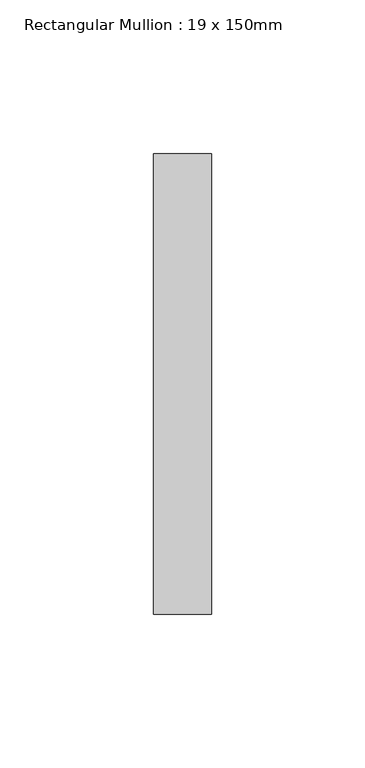
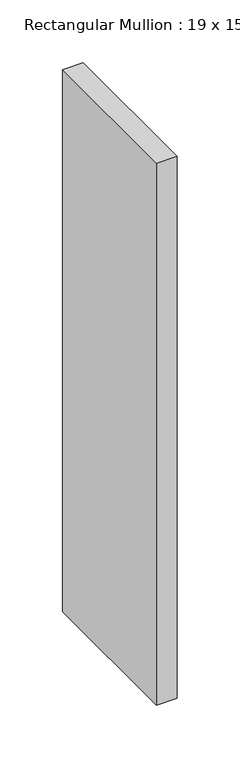
"""IFC4 building model written with IfcOpenShell, lengths in millimetres: member geometry, Rectangular Mullion : 19 x 150mm."""

from ifc_helpers import new_model, si_unit, frame, origin, place, context, project, spatial, polyline, outline, extrude, source, transform, mapped, element, save


def rectangular_mullion_19_x_150mm_10797b77(model_context):
    return source(origin(), model_context, "Body", "SweptSolid", [
        extrude(outline(polyline([(0.0, -25.0), (0.0, -175.0), (-19.0, -175.0), (-19.0, -25.0), (0.0, -25.0)])), frame((0.0, 0.0, -527.4999673), z_axis=(0.0, 0.0, 1.0), x_axis=(1.0, 0.0, 0.0)), (0.0, 0.0, 1.0), 527.4999673),
    ])


if __name__ == "__main__":
    model = new_model("IFC4")
    model_context = context("Model", 3, world=origin())
    ifc_project = project(units=[si_unit("LENGTHUNIT", "METRE", prefix="MILLI")], contexts=[model_context])
    site = spatial("IfcSite", under=ifc_project)
    building = spatial("IfcBuilding", under=site)
    placement = place(None, origin())
    rectangular_mullion_19_x_150mm_shape = rectangular_mullion_19_x_150mm_10797b77(model_context)
    element("IfcMember", 1, ObjectType="Rectangular Mullion : 19 x 150mm", at=placement, inside=building, context=model_context, shape_type="MappedRepresentation", body=[
        mapped(rectangular_mullion_19_x_150mm_shape, transform((0.0, 0.0, 0.0), x_axis=(1.0, 0.0, 0.0), y_axis=(0.0, 1.0, 0.0), z_axis=(0.0, 0.0, 1.0))),
    ])
    save(model, "model.ifc")
